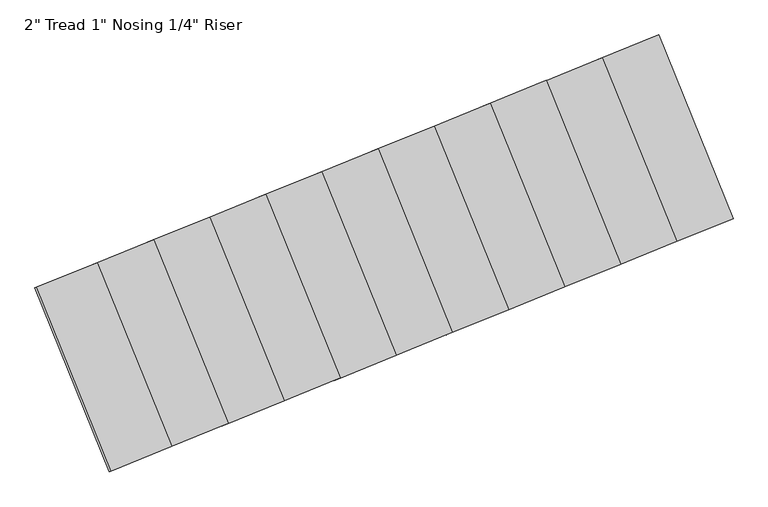
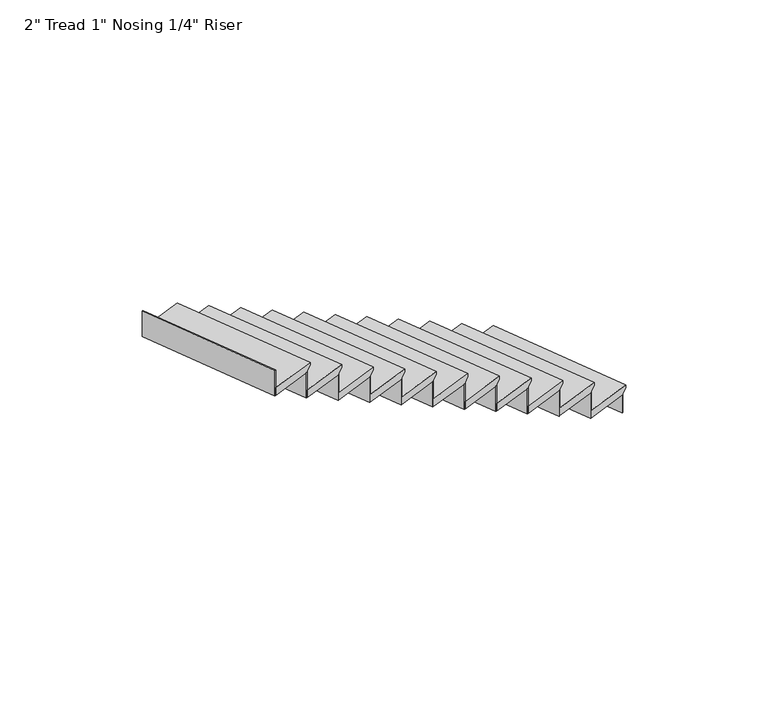
"""IFC4 building model written with IfcOpenShell, lengths in millimetres: stair flight geometry."""

from ifc_helpers import new_model, si_unit, frame, origin, origin_with_axes, place, context, project, spatial, polyline, outline, extrude, source, transform, mapped, element, save


def stair_flight_2708ecbd(model_context):
    return source(origin(), model_context, "Body", "SweptSolid", [
        extrude(outline(polyline([(0.0, -304.8), (0.0, 0.0), (50.8, 0.0), (50.8, -279.3999999), (44.45, -279.3999999), (19.05, -304.8), (0.0, -304.8)])), frame((19113.3467976, -37506.3882779, 169.3333333), z_axis=(-0.3758669428799865, 0.9266736433340775, 0.0), x_axis=(0.0, 0.0, -1.0)), (0.0, 0.0, 1.0), 914.4),
        extrude(outline(polyline([(19022.6823033, -36556.4074297), (19028.566681, -36554.0206746), (19372.2594135, -37401.3710541), (19366.3750359, -37403.7578092), (19022.6823033, -36556.4074297)])), origin_with_axes(), (0.0, 0.0, 1.0), 118.5333333),
        extrude(outline(polyline([(18763.7696874, -36661.4246535), (18769.654065, -36659.0378985), (19113.3467976, -37506.3882779), (19107.4624199, -37508.775033), (18763.7696874, -36661.4246535)])), frame((0.0, 0.0, 118.5333333), z_axis=(0.0, 0.0, 1.0), x_axis=(1.0, 0.0, 0.0)), (0.0, 0.0, 1.0), 169.3333333),
        extrude(outline(polyline([(0.0, -304.8), (0.0, 0.0), (50.8, 0.0), (50.8, -279.4000001), (44.45, -279.4000001), (19.05, -304.8), (0.0, -304.8)])), frame((18854.4341816, -37611.4055018, 338.6666667), z_axis=(-0.3758669428799865, 0.9266736433340775, 0.0), x_axis=(0.0, 0.0, -1.0)), (0.0, 0.0, 1.0), 914.4),
        extrude(outline(polyline([(18504.8570714, -36766.4418774), (18510.7414491, -36764.0551223), (18854.4341816, -37611.4055018), (18848.549804, -37613.7922569), (18504.8570714, -36766.4418774)])), frame((0.0, 0.0, 287.8666667), z_axis=(0.0, 0.0, 1.0), x_axis=(1.0, 0.0, 0.0)), (0.0, 0.0, 1.0), 169.3333333),
        extrude(outline(polyline([(0.0, -304.8), (0.0, 0.0), (50.8, 0.0), (50.8, -279.3999999), (44.45, -279.3999999), (19.05, -304.8), (0.0, -304.8)])), frame((18595.5215657, -37716.4227256, 508.0), z_axis=(-0.3758669428799865, 0.9266736433340775, 0.0), x_axis=(0.0, 0.0, -1.0)), (0.0, 0.0, 1.0), 914.4),
        extrude(outline(polyline([(18245.9444555, -36871.4591012), (18251.8288331, -36869.0723461), (18595.5215657, -37716.4227256), (18589.637188, -37718.8094807), (18245.9444555, -36871.4591012)])), frame((0.0, 0.0, 457.2), z_axis=(0.0, 0.0, 1.0), x_axis=(1.0, 0.0, 0.0)), (0.0, 0.0, 1.0), 169.3333333),
        extrude(outline(polyline([(0.0, -304.8), (0.0, 0.0), (50.8, 0.0), (50.8, -279.4), (44.45, -279.4), (19.05, -304.8), (0.0, -304.8)])), frame((18336.6089497, -37821.4399494, 677.3333333), z_axis=(-0.3758669428799865, 0.9266736433340775, 0.0), x_axis=(0.0, 0.0, -1.0)), (0.0, 0.0, 1.0), 914.4),
        extrude(outline(polyline([(17987.0318395, -36976.4763251), (17992.9162172, -36974.08957), (18336.6089497, -37821.4399494), (18330.7245721, -37823.8267045), (17987.0318395, -36976.4763251)])), frame((0.0, 0.0, 626.5333333), z_axis=(0.0, 0.0, 1.0), x_axis=(1.0, 0.0, 0.0)), (0.0, 0.0, 1.0), 169.3333333),
        extrude(outline(polyline([(0.0, -304.8), (0.0, 0.0), (50.8, 0.0), (50.8, -279.4), (44.45, -279.4), (19.05, -304.8), (0.0, -304.8)])), frame((18077.6963338, -37926.4571733, 846.6666667), z_axis=(-0.3758669428799865, 0.9266736433340775, 0.0), x_axis=(0.0, 0.0, -1.0)), (0.0, 0.0, 1.0), 914.4),
        extrude(outline(polyline([(17728.1192236, -37081.4935489), (17734.0036012, -37079.1067938), (18077.6963338, -37926.4571733), (18071.8119562, -37928.8439284), (17728.1192236, -37081.4935489)])), frame((0.0, 0.0, 795.8666667), z_axis=(0.0, 0.0, 1.0), x_axis=(1.0, 0.0, 0.0)), (0.0, 0.0, 1.0), 169.3333333),
        extrude(outline(polyline([(0.0, -304.8), (0.0, 0.0), (50.8, 0.0), (50.8, -279.4), (44.45, -279.4), (19.05, -304.8), (0.0, -304.8)])), frame((17818.7837178, -38031.4743971, 1016.0), z_axis=(-0.3758669428799865, 0.9266736433340775, 0.0), x_axis=(0.0, 0.0, -1.0)), (0.0, 0.0, 1.0), 914.4),
        extrude(outline(polyline([(17469.2066076, -37186.5107728), (17475.0909853, -37184.1240177), (17818.7837178, -38031.4743971), (17812.8993402, -38033.8611522), (17469.2066076, -37186.5107728)])), frame((0.0, 0.0, 965.2), z_axis=(0.0, 0.0, 1.0), x_axis=(1.0, 0.0, 0.0)), (0.0, 0.0, 1.0), 169.3333333),
        extrude(outline(polyline([(0.0, -304.8), (0.0, 0.0), (50.8, 0.0), (50.8, -279.4), (44.45, -279.4), (19.05, -304.8), (0.0, -304.8)])), frame((17559.8711019, -38136.491621, 1185.3333333), z_axis=(-0.3758669428799865, 0.9266736433340775, 0.0), x_axis=(0.0, 0.0, -1.0)), (0.0, 0.0, 1.0), 914.4),
        extrude(outline(polyline([(17210.2939917, -37291.5279966), (17216.1783693, -37289.1412415), (17559.8711019, -38136.491621), (17553.9867243, -38138.8783761), (17210.2939917, -37291.5279966)])), frame((0.0, 0.0, 1134.5333333), z_axis=(0.0, 0.0, 1.0), x_axis=(1.0, 0.0, 0.0)), (0.0, 0.0, 1.0), 169.3333333),
        extrude(outline(polyline([(0.0, -304.8), (0.0, 0.0), (50.8, 0.0), (50.8, -279.4), (44.45, -279.4), (19.05, -304.8), (0.0, -304.8)])), frame((17300.9584859, -38241.5088448, 1354.6666667), z_axis=(-0.3758669428799865, 0.9266736433340775, 0.0), x_axis=(0.0, 0.0, -1.0)), (0.0, 0.0, 1.0), 914.4),
        extrude(outline(polyline([(16951.3813757, -37396.5452204), (16957.2657534, -37394.1584653), (17300.9584859, -38241.5088448), (17295.0741083, -38243.8955999), (16951.3813757, -37396.5452204)])), frame((0.0, 0.0, 1303.8666667), z_axis=(0.0, 0.0, 1.0), x_axis=(1.0, 0.0, 0.0)), (0.0, 0.0, 1.0), 169.3333333),
        extrude(outline(polyline([(0.0, -304.8), (0.0, 0.0), (50.8, 0.0), (50.8, -279.4), (44.45, -279.4), (19.05, -304.8), (0.0, -304.8)])), frame((17042.04587, -38346.5260687, 1524.0), z_axis=(-0.3758669428799865, 0.9266736433340775, 0.0), x_axis=(0.0, 0.0, -1.0)), (0.0, 0.0, 1.0), 914.4),
        extrude(outline(polyline([(16692.4687598, -37501.5624443), (16698.3531374, -37499.1756892), (17042.04587, -38346.5260687), (17036.1614924, -38348.9128237), (16692.4687598, -37501.5624443)])), frame((0.0, 0.0, 1473.2), z_axis=(0.0, 0.0, 1.0), x_axis=(1.0, 0.0, 0.0)), (0.0, 0.0, 1.0), 169.3333333),
        extrude(outline(polyline([(0.0, -304.8), (0.0, 0.0), (50.8, 0.0), (50.8, -279.4), (44.45, -279.4), (19.05, -304.8), (0.0, -304.8)])), frame((16783.133254, -38451.5432925, 1693.3333333), z_axis=(-0.3758669428799865, 0.9266736433340775, 0.0), x_axis=(0.0, 0.0, -1.0)), (0.0, 0.0, 1.0), 914.4),
        extrude(outline(polyline([(16433.5561438, -37606.5796681), (16439.4405215, -37604.192913), (16783.133254, -38451.5432925), (16777.2488764, -38453.9300476), (16433.5561438, -37606.5796681)])), frame((0.0, 0.0, 1642.5333333), z_axis=(0.0, 0.0, 1.0), x_axis=(1.0, 0.0, 0.0)), (0.0, 0.0, 1.0), 169.3333333),
        extrude(outline(polyline([(0.0, -304.8), (0.0, 0.0), (50.8, 0.0), (50.8, -279.3999999), (44.45, -279.3999999), (19.05, -304.8), (0.0, -304.8)])), frame((16524.2206381, -38556.5605163, 1862.6666667), z_axis=(-0.3758669428799865, 0.9266736433340775, 0.0), x_axis=(0.0, 0.0, -1.0)), (0.0, 0.0, 1.0), 914.4),
        extrude(outline(polyline([(16174.6435279, -37711.596892), (16180.5279055, -37709.2101369), (16524.2206381, -38556.5605163), (16518.3362605, -38558.9472714), (16174.6435279, -37711.596892)])), frame((0.0, 0.0, 1811.8666667), z_axis=(0.0, 0.0, 1.0), x_axis=(1.0, 0.0, 0.0)), (0.0, 0.0, 1.0), 169.3333333),
    ])


if __name__ == "__main__":
    model = new_model("IFC4")
    model_context = context("Model", 3, world=origin())
    ifc_project = project(units=[si_unit("LENGTHUNIT", "METRE", prefix="MILLI")], contexts=[model_context])
    site = spatial("IfcSite", under=ifc_project)
    building = spatial("IfcBuilding", under=site)
    placement = place(None, origin())
    stair_flight_shape = stair_flight_2708ecbd(model_context)
    element("IfcStairFlight", 1, ObjectType="2\" Tread 1\" Nosing 1/4\" Riser", at=placement, inside=building, context=model_context, shape_type="MappedRepresentation", body=[
        mapped(stair_flight_shape, transform((0.0, 0.0, 0.0), x_axis=(1.0, 0.0, 0.0), y_axis=(0.0, 1.0, 0.0), z_axis=(0.0, 0.0, 1.0))),
    ])
    save(model, "model.ifc")
